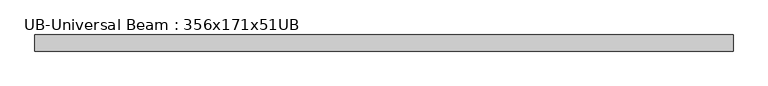
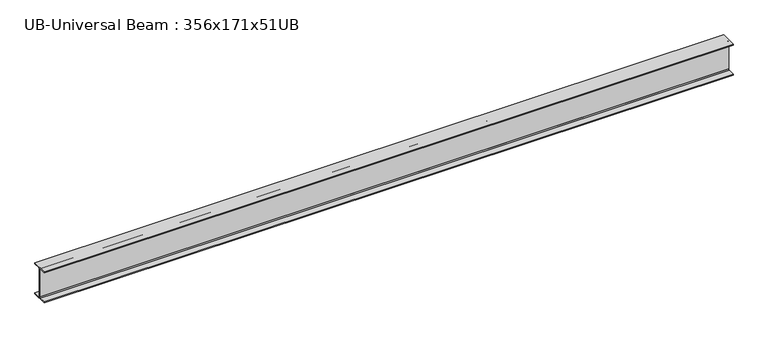
"""IFC4 building model written with IfcOpenShell, lengths in millimetres: beam geometry, UB-Universal Beam : 356x171x51UB."""

from ifc_helpers import new_model, si_unit, point, frame, frame_2d, origin, place, context, project, spatial, polyline, circle_curve, trimmed, segment, composite_curve, outline, extrude, source, transform, mapped, element, save


def ub_universal_beam_356x171x51ub_651a4e53(model_context):
    return source(origin(), model_context, "Body", "SweptSolid", [
        extrude(outline(composite_curve([segment(polyline([(85.75, -166.0), (85.75, -177.5), (-85.75, -177.5), (-85.75, -166.0), (-13.9, -166.0)]), True, "CONTINUOUS"), segment(trimmed(circle_curve(frame_2d((-13.9, -155.8)), 10.2), [point((-13.9, -166.0))], [point((-3.7, -155.8))], True, "CARTESIAN"), True, "CONTINUOUS"), segment(polyline([(-3.7, -155.8), (-3.7, 155.8)]), True, "CONTINUOUS"), segment(trimmed(circle_curve(frame_2d((-13.9, 155.8)), 10.2), [point((-3.7, 155.8))], [point((-13.9, 166.0))], True, "CARTESIAN"), True, "CONTINUOUS"), segment(polyline([(-13.9, 166.0), (-85.75, 166.0), (-85.75, 177.5), (85.75, 177.5), (85.75, 166.0), (13.9, 166.0)]), True, "CONTINUOUS"), segment(trimmed(circle_curve(frame_2d((13.9, 155.8)), 10.2), [point((13.9, 166.0))], [point((3.7, 155.8))], True, "CARTESIAN"), True, "CONTINUOUS"), segment(polyline([(3.7, 155.8), (3.7, -155.8)]), True, "CONTINUOUS"), segment(trimmed(circle_curve(frame_2d((13.9, -155.8)), 10.2), [point((3.7, -155.8))], [point((13.9, -166.0))], True, "CARTESIAN"), True, "CONTINUOUS"), segment(polyline([(13.9, -166.0), (85.75, -166.0)]), True, "CONTINUOUS")], self_intersect=False)), frame((-3642.3, 0.0, 0.0), z_axis=(1.0, 0.0, 0.0), x_axis=(0.0, 1.0, 0.0)), (0.0, 0.0, 1.0), 7429.5999994),
    ])


if __name__ == "__main__":
    model = new_model("IFC4")
    model_context = context("Model", 3, world=origin())
    ifc_project = project(units=[si_unit("LENGTHUNIT", "METRE", prefix="MILLI")], contexts=[model_context])
    site = spatial("IfcSite", under=ifc_project)
    building = spatial("IfcBuilding", under=site)
    placement = place(None, origin())
    ub_universal_beam_356x171x51ub_shape = ub_universal_beam_356x171x51ub_651a4e53(model_context)
    element("IfcBeam", 1, ObjectType="UB-Universal Beam : 356x171x51UB", at=placement, inside=building, context=model_context, shape_type="MappedRepresentation", body=[
        mapped(ub_universal_beam_356x171x51ub_shape, transform((0.0, 0.0, 0.0), x_axis=(1.0, 0.0, 0.0), y_axis=(0.0, 1.0, 0.0), z_axis=(0.0, 0.0, 1.0))),
    ])
    save(model, "model.ifc")
